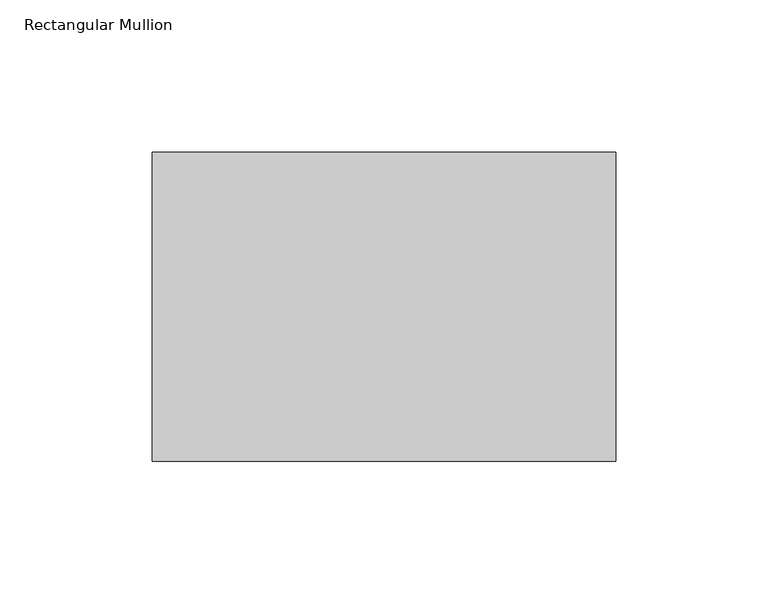
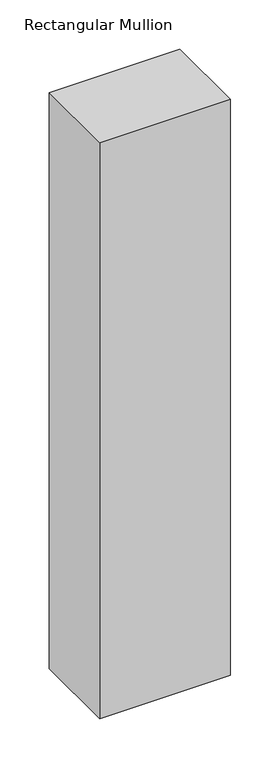
"""IFC4 building model written with IfcOpenShell, lengths in millimetres: member geometry, Rectangular Mullion."""

from ifc_helpers import new_model, si_unit, frame, origin, place, context, project, spatial, polyline, outline, extrude, source, transform, mapped, element, save


def rectangular_mullion_13affec1(model_context):
    return source(origin(), model_context, "Body", "SweptSolid", [
        extrude(outline(polyline([(0.0, 82.55), (0.0, -19.05), (-152.4, -19.05), (-152.4, 82.55), (0.0, 82.55)])), frame((0.0, 0.0, -711.2), z_axis=(0.0, 0.0, 1.0), x_axis=(1.0, 0.0, 0.0)), (0.0, 0.0, 1.0), 711.2),
    ])


if __name__ == "__main__":
    model = new_model("IFC4")
    model_context = context("Model", 3, world=origin())
    ifc_project = project(units=[si_unit("LENGTHUNIT", "METRE", prefix="MILLI")], contexts=[model_context])
    site = spatial("IfcSite", under=ifc_project)
    building = spatial("IfcBuilding", under=site)
    placement = place(None, origin())
    rectangular_mullion_shape = rectangular_mullion_13affec1(model_context)
    element("IfcMember", 1, ObjectType="Rectangular Mullion", at=placement, inside=building, context=model_context, shape_type="MappedRepresentation", body=[
        mapped(rectangular_mullion_shape, transform((0.0, 0.0, 0.0), x_axis=(1.0, 0.0, 0.0), y_axis=(0.0, 1.0, 0.0), z_axis=(0.0, 0.0, 1.0))),
    ])
    save(model, "model.ifc")
